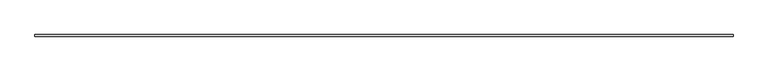
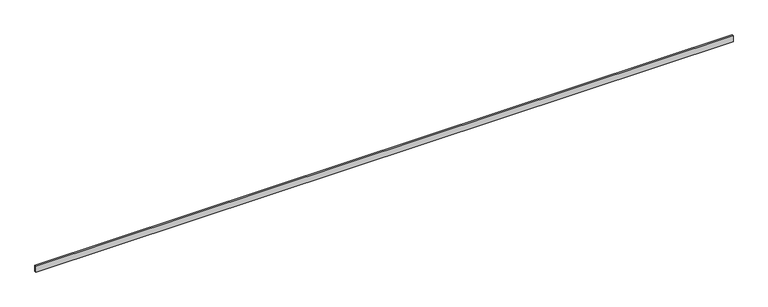
"""IFC4 building model written with IfcOpenShell, lengths in millimetres: beam geometry."""

import ifcopenshell
import ifcopenshell.guid

model = None  # the IFC model being written
_history = None  # IfcOwnerHistory: only IFC2X3 demands one
_inside = {}  # id of a spatial element -> (the spatial element, [elements in it])
_under = {}  # id of a project, library or spatial element -> (it, [spatial elements below it])
_declared = {}  # id of a project -> (the project, [libraries it declares])
_typed = {}  # id of a type object -> (the type object, [elements of that type])
_made_of = {}  # id of a material, layer set ... -> (it, [elements and type objects made of it])


def new_model(schema):
    """Start an empty IFC model of exactly this schema.

    Asked for "IFC4X3", IfcOpenShell would pick the latest addendum, in which some entities
    have other attributes; the version numbers below select the first issue.
    IFC2X3 requires an IfcOwnerHistory on every rooted entity: one is made here for all.
    """
    global model, _history
    if schema == "IFC4X3":
        model = ifcopenshell.file(schema_version=(4, 3, 0, 0))
    else:
        model = ifcopenshell.file(schema=schema)
    _inside.clear()
    _under.clear()
    _declared.clear()
    _typed.clear()
    _made_of.clear()
    _history = None
    if model.schema == "IFC2X3":
        org = make("IfcOrganization", Name="unknown")
        user = make(
            "IfcPersonAndOrganization",
            ThePerson=make("IfcPerson", FamilyName="unknown"),
            TheOrganization=org,
        )
        app = make(
            "IfcApplication",
            ApplicationDeveloper=org,
            Version="unknown",
            ApplicationFullName="unknown",
            ApplicationIdentifier="unknown",
        )
        _history = make(
            "IfcOwnerHistory",
            OwningUser=user,
            OwningApplication=app,
            ChangeAction="ADDED",
            CreationDate=0,
        )
    return model


def make(cls, **values):
    """One entity of the class cls with the attributes given. An attribute that is None is left unset."""
    return model.create_entity(
        cls, **{name: value for name, value in values.items() if value is not None}
    )


def rooted(cls, **values):
    """An entity with a GlobalId (a new one), such as an element, a storey or a relation."""
    return make(cls, GlobalId=ifcopenshell.guid.new(), OwnerHistory=_history, **values)


def si_unit(unit_type, name, prefix=None):
    """IfcSIUnit, for example si_unit("LENGTHUNIT", "METRE", prefix="MILLI")."""
    return make("IfcSIUnit", UnitType=unit_type, Prefix=prefix, Name=name)


def assignment(units):
    """IfcUnitAssignment: the units of a project."""
    return None if units is None else make("IfcUnitAssignment", Units=units)


def point(xyz):
    """IfcCartesianPoint."""
    return None if xyz is None else make("IfcCartesianPoint", Coordinates=xyz)


def direction(xyz):
    """IfcDirection."""
    return None if xyz is None else make("IfcDirection", DirectionRatios=xyz)


def frame(location, z_axis=None, x_axis=None):
    """IfcAxis2Placement3D, a coordinate frame: its origin and axes. An axis left out is left unset."""
    return make(
        "IfcAxis2Placement3D",
        Location=point(location),
        Axis=direction(z_axis),
        RefDirection=direction(x_axis),
    )


def origin():
    """The frame at (0, 0, 0) with its axes left unset."""
    return frame((0.0, 0.0, 0.0))


def place(relative_to, where):
    """IfcLocalPlacement: puts the frame where relative to a parent placement (None: the world)."""
    return make(
        "IfcLocalPlacement", PlacementRelTo=relative_to, RelativePlacement=where
    )


def context(
    kind, dimensions, precision=None, world=None, true_north=None, identifier=None
):
    """IfcGeometricRepresentationContext, for example the 3D "Model" context."""
    return make(
        "IfcGeometricRepresentationContext",
        ContextIdentifier=identifier,
        ContextType=kind,
        CoordinateSpaceDimension=dimensions,
        Precision=precision,
        WorldCoordinateSystem=world,
        TrueNorth=true_north,
    )


def project(units=None, contexts=None):
    """IfcProject with its units and contexts."""
    return rooted(
        "IfcProject",
        Name="project",
        RepresentationContexts=contexts,
        UnitsInContext=assignment(units),
    )


def spatial(cls, under=None, at=None, **own):
    """A site, building, storey or space (cls), placed at a placement, below another one or the project."""
    s = rooted(cls, ObjectPlacement=at, **own)
    if under is not None:
        _under.setdefault(under.id(), (under, []))[1].append(s)
    return s


def polyline(points):
    """IfcPolyline through the points."""
    return make("IfcPolyline", Points=[point(p) for p in points])


def outline(outer, holes=None, kind="AREA"):
    """IfcArbitraryClosedProfileDef: a profile drawn as a closed curve; with holes, ...WithVoids."""
    if holes is None:
        return make("IfcArbitraryClosedProfileDef", ProfileType=kind, OuterCurve=outer)
    return make(
        "IfcArbitraryProfileDefWithVoids",
        ProfileType=kind,
        OuterCurve=outer,
        InnerCurves=holes,
    )


def extrude(swept, where, along, depth):
    """IfcExtrudedAreaSolid: the profile swept, set in the frame where, extruded along a direction by depth."""
    return make(
        "IfcExtrudedAreaSolid",
        SweptArea=swept,
        Position=where,
        ExtrudedDirection=direction(along),
        Depth=depth,
    )


def shape(context_of_items, identifier, shape_type, items):
    """IfcShapeRepresentation: the items that make up one representation, for example the "Body"."""
    return make(
        "IfcShapeRepresentation",
        ContextOfItems=context_of_items,
        RepresentationIdentifier=identifier,
        RepresentationType=shape_type,
        Items=items,
    )


def source(mapping_origin, context_of_items, identifier, shape_type, items):
    """IfcRepresentationMap: a shape defined once, which mapped items show again and again."""
    return make(
        "IfcRepresentationMap",
        MappingOrigin=mapping_origin,
        MappedRepresentation=shape(context_of_items, identifier, shape_type, items),
    )


def transform(
    local_origin,
    x_axis=None,
    y_axis=None,
    z_axis=None,
    scale=None,
    scale2=None,
    scale3=None,
    uniform=True,
):
    """IfcCartesianTransformationOperator3D, or its non-uniform kind. x_axis, y_axis, z_axis: its Axis1, 2, 3."""
    if uniform:
        return make(
            "IfcCartesianTransformationOperator3D",
            Axis1=direction(x_axis),
            Axis2=direction(y_axis),
            LocalOrigin=point(local_origin),
            Scale=scale,
            Axis3=direction(z_axis),
        )
    return make(
        "IfcCartesianTransformationOperator3DnonUniform",
        Axis1=direction(x_axis),
        Axis2=direction(y_axis),
        LocalOrigin=point(local_origin),
        Scale=scale,
        Axis3=direction(z_axis),
        Scale2=scale2,
        Scale3=scale3,
    )


def mapped(mapping_source, mapping_target):
    """IfcMappedItem: shows the shape of a source again, moved by a transform."""
    return make(
        "IfcMappedItem", MappingSource=mapping_source, MappingTarget=mapping_target
    )


def made_of(thing, what):
    """Note that an element or type object is made of a material, layer set ...; save() writes the relation."""
    if what is not None:
        _made_of.setdefault(what.id(), (what, []))[1].append(thing)
    return thing


def element(
    cls,
    number,
    at=None,
    inside=None,
    cuts=None,
    type_object=None,
    material=None,
    context=None,
    identifier="Body",
    shape_type=None,
    held_by="IfcProductDefinitionShape",
    body=None,
    shapes=None,
    **own,
):
    """One element of the class cls, such as IfcWall. Its Tag is "e" and its number.

    at: its placement. inside: the storey or other place that contains it. cuts: it is an
    opening in that element (IfcRelVoidsElement). A single representation is given by context,
    identifier, shape_type and body (its items); several are given by shapes. held_by: the class
    of the entity that holds the representations. save() writes the other relations.
    """
    e = rooted(cls, Tag="e%d" % number, ObjectPlacement=at, **own)
    if body is not None:
        shapes = [shape(context, identifier, shape_type, body)]
    if shapes is not None:
        e.Representation = make(held_by, Representations=shapes)
    if inside is not None:
        _inside.setdefault(inside.id(), (inside, []))[1].append(e)
    if cuts is not None:
        rooted(
            "IfcRelVoidsElement", RelatingBuildingElement=cuts, RelatedOpeningElement=e
        )
    if type_object is not None:
        _typed.setdefault(type_object.id(), (type_object, []))[1].append(e)
    return made_of(e, material)


def aggregate(whole, parts):
    """IfcRelAggregates: a whole, such as a stair, and the parts it consists of."""
    return rooted("IfcRelAggregates", RelatingObject=whole, RelatedObjects=parts)


def save(model, path):
    """Write the relations noted so far, then the file.

    IfcRelAggregates (storeys below a building ...), IfcRelContainedInSpatialStructure (elements
    in a storey), IfcRelDefinesByType, IfcRelAssociatesMaterial and IfcRelDeclares: one each for
    every whole, place, type object, material and project.
    """
    for whole, parts in _under.values():
        aggregate(whole, parts)
    for where, things in _inside.values():
        rooted(
            "IfcRelContainedInSpatialStructure",
            RelatedElements=things,
            RelatingStructure=where,
        )
    for kind, things in _typed.values():
        rooted("IfcRelDefinesByType", RelatedObjects=things, RelatingType=kind)
    for what, things in _made_of.values():
        rooted("IfcRelAssociatesMaterial", RelatedObjects=things, RelatingMaterial=what)
    for by, libraries in _declared.values():
        rooted("IfcRelDeclares", RelatingContext=by, RelatedDefinitions=libraries)
    model.write(path)


def beam_46914ab4(model_context):
    return source(origin(), model_context, "Body", "SweptSolid", [
        extrude(outline(polyline([(7924.8, -19.05), (-7924.8, -19.05), (-7924.8, 19.05), (7924.8, 19.05), (7924.8, -19.05)])), frame((0.0, 0.0, -69.85), z_axis=(0.0, 0.0, 1.0), x_axis=(1.0, 0.0, 0.0)), (0.0, 0.0, 1.0), 139.7),
    ])


if __name__ == "__main__":
    model = new_model("IFC4")
    model_context = context("Model", 3, world=origin())
    ifc_project = project(units=[si_unit("LENGTHUNIT", "METRE", prefix="MILLI")], contexts=[model_context])
    site = spatial("IfcSite", under=ifc_project)
    building = spatial("IfcBuilding", under=site)
    placement = place(None, origin())
    beam_shape = beam_46914ab4(model_context)
    element("IfcBeam", 1, at=placement, inside=building, context=model_context, shape_type="MappedRepresentation", body=[
        mapped(beam_shape, transform((0.0, 0.0, 0.0), x_axis=(1.0, 0.0, 0.0), y_axis=(0.0, 1.0, 0.0), z_axis=(0.0, 0.0, 1.0))),
    ])
    save(model, "model.ifc")
